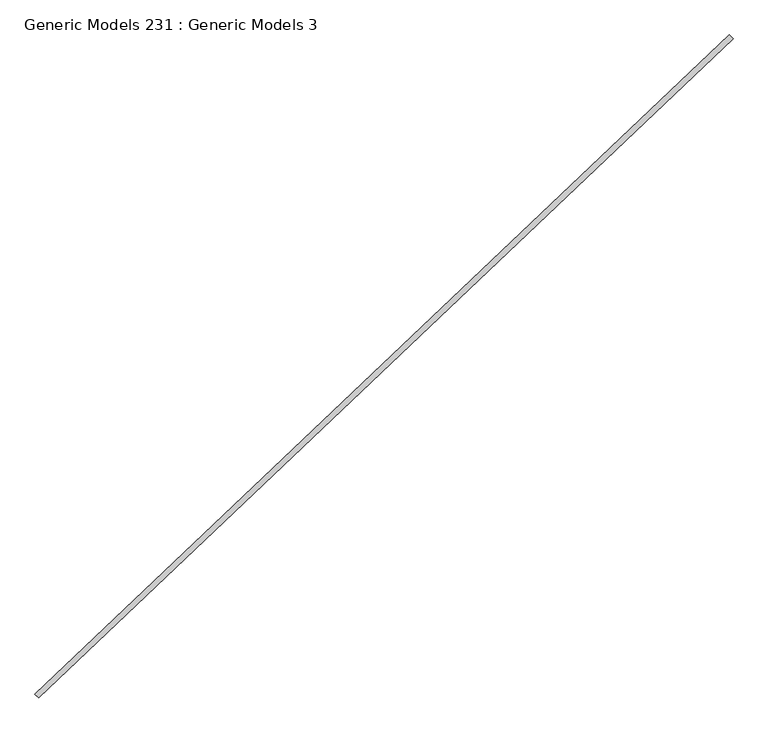
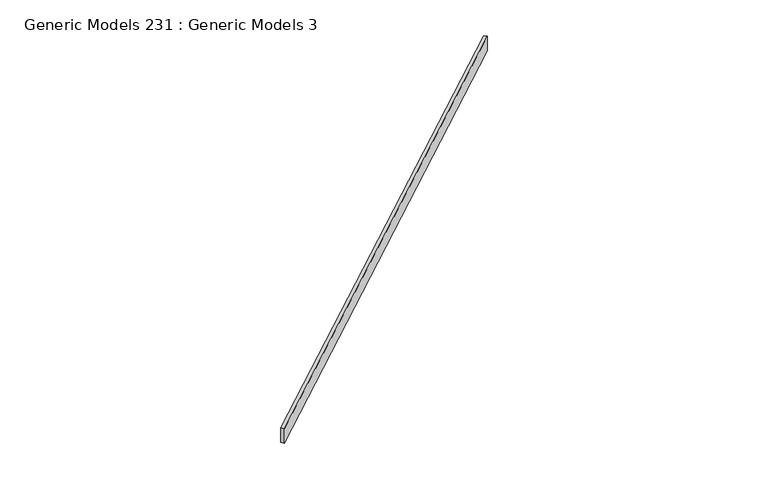
"""IFC4 building model written with IfcOpenShell, lengths in millimetres: proxy geometry, Generic Models 231 : Generic Models 3."""

from ifc_helpers import new_model, si_unit, frame, origin, place, context, project, spatial, polyline, outline, extrude, source, transform, mapped, element, save


def generic_models_231_generic_models_3_b6a4ba8d(model_context):
    return source(origin(), model_context, "Body", "SweptSolid", [
        extrude(outline(polyline([(109880.5663493, 47380.1640408), (109915.5347618, 47343.3150227), (103213.6196044, 40983.4350092), (103178.651192, 41020.2840273), (109880.5663493, 47380.1640408)])), frame((0.0, 0.0, 18107.3063445), z_axis=(0.0, 0.0, 1.0), x_axis=(1.0, 0.0, 0.0)), (0.0, 0.0, 1.0), 229.1529835),
    ])


if __name__ == "__main__":
    model = new_model("IFC4")
    model_context = context("Model", 3, world=origin())
    ifc_project = project(units=[si_unit("LENGTHUNIT", "METRE", prefix="MILLI")], contexts=[model_context])
    site = spatial("IfcSite", under=ifc_project)
    building = spatial("IfcBuilding", under=site)
    placement = place(None, origin())
    generic_models_231_generic_models_3_shape = generic_models_231_generic_models_3_b6a4ba8d(model_context)
    element("IfcBuildingElementProxy", 1, Name="Generic Models 231 : Generic Models 3", ObjectType="Generic Models 231 : Generic Models 3", at=placement, inside=building, context=model_context, shape_type="MappedRepresentation", body=[
        mapped(generic_models_231_generic_models_3_shape, transform((0.0, 0.0, 0.0), x_axis=(1.0, 0.0, 0.0), y_axis=(0.0, 1.0, 0.0), z_axis=(0.0, 0.0, 1.0))),
    ])
    save(model, "model.ifc")
